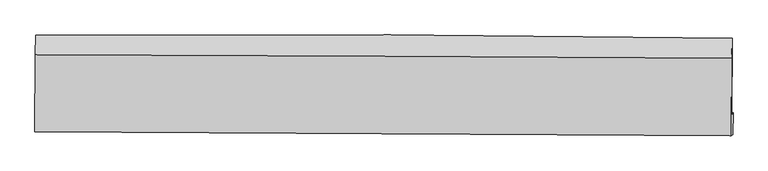
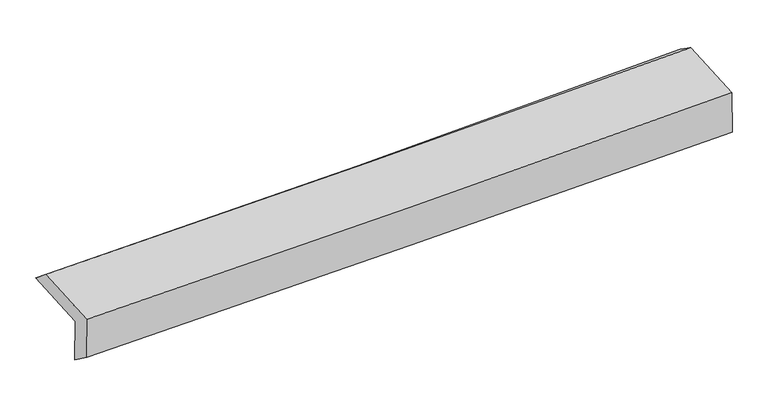
"""IFC4 building model written with IfcOpenShell, lengths in millimetres: proxy geometry."""

from ifc_helpers import new_model, si_unit, frame, origin, place, context, project, spatial, source, transform, mapped, element, save
from ifc_brep_helpers import plane_surface, spline_curve, spline_surface, advanced_brep


def generic_models_3c0a30b0(model_context):
    return source(origin(), model_context, "Body", "AdvancedBrep", [
        advanced_brep(
        [(-3029.0842297, -1760.1261345, 1939.3572622), (-3028.055738, -1115.1864294, 1978.3192975), (3012.3377223, -1142.733614, 2153.6964122), (3010.4613591, -1815.6183329, 2113.0252611), (-3018.6212022, -1735.8529124, 1537.2857135), (3020.8019939, -1788.9778481, 1716.1042327), (-3023.2167509, -1943.5762738, 1689.812562), (3016.9268672, -1977.8115227, 1834.6788379), (-3033.246778, -1953.4700679, 2076.8785246), (3006.5238912, -1988.0896853, 2236.7800885), (-3032.1836669, -1286.821382, 2117.1520408), (3008.3924221, -1318.0137442, 2277.2814687)],
        [
            (0, 1),
            (1, 2, spline_curve(3, [(-3028.055738, -1115.1864294, 1978.3192975), (-2020.825729797, -1109.60092055, 1984.713808373), (-1013.921637828, -1109.102634199, 2002.521837377), (999.543048941, -1118.28191168, 2060.973882347), (2006.103443349, -1127.962593181, 2101.624891547), (3012.3377223, -1142.733614, 2153.6964122)], [4, 2, 4], [0.0, 9.911713958272385, 19.826464065732758])),
            (2, 3),
            (3, 0, spline_curve(3, [(3010.4613591, -1815.6183329, 2113.0252611), (2004.360977858, -1810.83802669, 2060.354081488), (997.938199278, -1803.822473504, 2019.545758267), (-1015.243861246, -1785.323705127, 1961.663689773), (-2022.002945444, -1773.841858881, 1944.582679804), (-3029.0842297, -1760.1261345, 1939.3572622)], [4, 2, 4], [0.0, 9.914750107460373, 19.826464065732758])),
            (4, 0),
            (3, 5),
            (5, 4, spline_curve(3, [(3020.8019939, -1788.9778481, 1716.1042327), (2014.78577425, -1774.698382254, 1661.503186823), (1008.415272691, -1763.131308628, 1619.300737249), (-1004.726009903, -1745.424657501, 1559.702156451), (-2011.496573623, -1739.283419349, 1542.298433287), (-3018.6212022, -1735.8529124, 1537.2857135)], [4, 2, 4], [0.0, 9.91425733637899, 19.825478674469053])),
            (6, 4),
            (5, 7),
            (7, 6, spline_curve(3, [(3016.9268672, -1977.8115227, 1834.6788379), (2010.220007806, -1972.735766422, 1807.058957613), (1003.444185821, -1967.344465659, 1781.175244946), (-1009.937062485, -1955.932522722, 1732.887549248), (-2016.542446508, -1949.912073951, 1710.48250345), (-3023.2167509, -1943.5762738, 1689.812562)], [4, 2, 4], [0.0, 9.913404476666948, 19.823773216212352])),
            (8, 6),
            (7, 9),
            (9, 8, spline_curve(3, [(3006.5238912, -1988.0896853, 2236.7800885), (2000.007837067, -1982.822387744, 2201.667184825), (993.358491504, -1977.303290565, 2170.784210083), (-1019.8984796, -1965.763264031, 2117.486278759), (-2026.506023925, -1959.742488729, 2095.068732664), (-3033.246778, -1953.4700679, 2076.8785246)], [4, 2, 4], [0.0, 9.912949426691176, 19.82286325560871])),
            (10, 8),
            (9, 11),
            (11, 10, spline_curve(3, [(3008.3924221, -1318.0137442, 2277.2814687), (2001.726126447, -1311.711343719, 2242.22714491), (994.934532803, -1305.960466228, 2211.354460973), (-1018.590906786, -1295.563349747, 2157.980545705), (-2025.324676345, -1290.916773403, 2135.476753904), (-3032.1836669, -1286.821382, 2117.1520408)], [4, 2, 4], [0.0, 9.91366413216253, 19.824292447690386])),
            (1, 10),
            (11, 2),
        ],
        [
            spline_surface(3, 3, [[(-3029.0842297, -1760.1261345, 1939.3572622), (-2022.002945555, -1773.841859011, 1944.582679704), (-1015.243861148, -1785.323705206, 1961.6636897), (997.938199181, -1803.822473425, 2019.545758339), (2004.360977761, -1810.838026731, 2060.354081354), (3010.4613591, -1815.6183329, 2113.0252611)], [(-3028.741399151, -1545.146232787, 1952.3446073), (-2021.610540328, -1552.428212817, 1957.959722635), (-1014.80312001, -1559.916681495, 1975.283072284), (998.473149034, -1575.308952889, 2033.355132969), (2004.941799659, -1583.212882179, 2074.111018085), (3011.086813518, -1591.323426588, 2126.582311463)], [(-3028.398568549, -1330.166331113, 1965.3319524), (-2021.218135049, -1331.014566661, 1971.336765565), (-1014.362378819, -1334.509657779, 1988.90245489), (999.008098941, -1346.795432348, 2047.16450762), (2005.522621504, -1355.587737664, 2087.867954826), (3011.712267882, -1367.028520312, 2140.139361837)], [(-3028.055738, -1115.1864294, 1978.3192975), (-2020.825729822, -1109.600920468, 1984.713808496), (-1013.921637681, -1109.102634068, 2002.521837474), (999.543048794, -1118.281911811, 2060.973882249), (2006.103443402, -1127.962593112, 2101.624891556), (3012.3377223, -1142.733614, 2153.6964122)]], [4, 4], [4, 2, 4], [0.0, 2.2379453665603237], [0.0, 9.911713958272385, 19.826464065732758]),
            spline_surface(3, 3, [[(-3018.6212022, -1735.8529124, 1537.2857135), (-2011.496573473, -1739.28341933, 1542.298433159), (-1004.72600976, -1745.424657597, 1559.702156498), (1008.415272548, -1763.131308532, 1619.300737202), (2014.785774212, -1774.698382189, 1661.503186915), (3020.8019939, -1788.9778481, 1716.1042327)], [(-3022.108878017, -1743.943986451, 1671.309563074), (-2014.998697484, -1750.802899241, 1676.393182014), (-1008.23196022, -1758.724340104, 1693.689334227), (1004.922914762, -1776.695030133, 1752.715744243), (2011.310842057, -1786.744930382, 1794.453485039), (3017.355115629, -1797.858009712, 1848.411242144)], [(-3025.596553883, -1752.035060449, 1805.333412626), (-2018.500821544, -1762.322379099, 1810.487930849), (-1011.737910689, -1772.024022699, 1827.676511971), (1001.430556967, -1790.258751824, 1886.130751299), (2007.835909916, -1798.791478538, 1927.40378323), (3013.908237371, -1806.738171288, 1980.718251656)], [(-3029.0842297, -1760.1261345, 1939.3572622), (-2022.002945555, -1773.841859011, 1944.582679704), (-1015.243861148, -1785.323705206, 1961.6636897), (997.938199181, -1803.822473425, 2019.545758339), (2004.360977761, -1810.838026731, 2060.354081354), (3010.4613591, -1815.6183329, 2113.0252611)]], [4, 4], [4, 2, 4], [0.0, 1.323027030966952], [0.0, 9.911221338090064, 19.825478674469053]),
            spline_surface(3, 3, [[(-3023.2167509, -1943.5762738, 1689.812562), (-2016.542446416, -1949.912073878, 1710.482503417), (-1009.937062459, -1955.932522759, 1732.887549355), (1003.444185795, -1967.344465623, 1781.175244839), (2010.22000789, -1972.735766366, 1807.058957523), (3016.9268672, -1977.8115227, 1834.6788379)], [(-3021.684901349, -1874.335153334, 1638.970279188), (-2014.860488784, -1879.702522363, 1654.421146685), (-1008.200044887, -1885.763234396, 1675.159085089), (1005.101214719, -1899.273413284, 1727.217075647), (2011.741929986, -1906.723304958, 1758.540367343), (3018.218576088, -1914.866964484, 1795.153969523)], [(-3020.153051751, -1805.094032866, 1588.127996312), (-2013.178531106, -1809.492970845, 1598.359789891), (-1006.463027333, -1815.59394596, 1617.430620763), (1006.758243624, -1831.202360871, 1673.258906394), (2013.263852116, -1840.710843597, 1710.021777095), (3019.510285012, -1851.922406316, 1755.629101077)], [(-3018.6212022, -1735.8529124, 1537.2857135), (-2011.496573473, -1739.28341933, 1542.298433159), (-1004.72600976, -1745.424657597, 1559.702156498), (1008.415272548, -1763.131308532, 1619.300737202), (2014.785774212, -1774.698382189, 1661.503186915), (3020.8019939, -1788.9778481, 1716.1042327)]], [4, 4], [4, 2, 4], [0.0, 0.8747583254836597], [0.0, 9.910368739545405, 19.823773216212352]),
            spline_surface(3, 3, [[(-3033.246778, -1953.4700679, 2076.8785246), (-2026.506023941, -1959.742488693, 2095.068732572), (-1019.898479734, -1965.763263967, 2117.486278889), (993.358491638, -1977.303290629, 2170.784209953), (2000.007837131, -1982.822387813, 2201.667184953), (3006.5238912, -1988.0896853, 2236.7800885)], [(-3029.903435603, -1950.172136535, 1947.856537053), (-2023.184831402, -1956.465683756, 1966.87332284), (-1016.578007304, -1962.486350229, 1989.28670237), (996.720389695, -1973.983682291, 2040.914554908), (2003.411894054, -1979.460180666, 2070.131109143), (3009.99154987, -1984.663631102, 2102.7463383)], [(-3026.560093297, -1946.874205165, 1818.834549547), (-2019.863638954, -1953.188878815, 1838.677913149), (-1013.257534889, -1959.209436497, 1861.087125873), (1000.082287738, -1970.66407396, 1911.044899884), (2006.815950967, -1976.097973513, 1938.595033333), (3013.45920853, -1981.237576898, 1968.7125881)], [(-3023.2167509, -1943.5762738, 1689.812562), (-2016.542446416, -1949.912073878, 1710.482503417), (-1009.937062459, -1955.932522759, 1732.887549355), (1003.444185795, -1967.344465623, 1781.175244839), (2010.22000789, -1972.735766366, 1807.058957523), (3016.9268672, -1977.8115227, 1834.6788379)]], [4, 4], [4, 2, 4], [0.0, 1.2708686502461604], [0.0, 9.909913828917533, 19.82286325560871]),
            spline_surface(3, 3, [[(-3032.1836669, -1286.821382, 2117.1520408), (-2025.324676246, -1290.916773242, 2135.476753774), (-1018.590906848, -1295.563349813, 2157.980545679), (994.934532864, -1305.960466162, 2211.354460999), (2001.726126496, -1311.711343636, 2242.227145039), (3008.3924221, -1318.0137442, 2277.2814687)], [(-3032.538037291, -1509.037610645, 2103.727535414), (-2025.718458835, -1513.858678404, 2122.007413388), (-1019.026764471, -1518.963321174, 2144.48245674), (994.409185794, -1529.741407627, 2197.831043976), (2001.153363383, -1535.415025033, 2228.707158338), (3007.769578475, -1541.372391238, 2263.781008628)], [(-3032.892407609, -1731.253839255, 2090.303029986), (-2026.112241352, -1736.800583531, 2108.538072958), (-1019.462622111, -1742.363292606, 2130.984367827), (993.883838708, -1753.522349163, 2184.307626977), (2000.580600244, -1759.118706416, 2215.187171653), (3007.146734825, -1764.731038262, 2250.280548572)], [(-3033.246778, -1953.4700679, 2076.8785246), (-2026.506023941, -1959.742488693, 2095.068732572), (-1019.898479734, -1965.763263967, 2117.486278889), (993.358491638, -1977.303290629, 2170.784209953), (2000.007837131, -1982.822387813, 2201.667184953), (3006.5238912, -1988.0896853, 2236.7800885)]], [4, 4], [4, 2, 4], [0.0, 2.204713200855479], [0.0, 9.910628315527855, 19.824292447690386]),
            spline_surface(3, 3, [[(-3028.055738, -1115.1864294, 1978.3192975), (-2020.825729822, -1109.600920468, 1984.713808496), (-1013.921637681, -1109.102634068, 2002.521837474), (999.543048794, -1118.281911811, 2060.973882249), (2006.103443402, -1127.962593112, 2101.624891556), (3012.3377223, -1142.733614, 2153.6964122)], [(-3029.43171429, -1172.398080248, 2024.596878571), (-2022.32537862, -1170.03953804, 2034.968123559), (-1015.478060739, -1171.256206013, 2054.341406883), (998.006876815, -1180.841429958, 2111.10074184), (2004.644337753, -1189.212176629, 2148.492309392), (3011.02262222, -1201.160324076, 2194.891431041)], [(-3030.80769061, -1229.609731152, 2070.874459729), (-2023.825027448, -1230.478155669, 2085.222438711), (-1017.03448379, -1233.409777869, 2106.16097627), (996.470704843, -1243.400948015, 2161.227601409), (2003.185232145, -1250.461760118, 2195.359727203), (3009.70752218, -1259.587034124, 2236.086449859)], [(-3032.1836669, -1286.821382, 2117.1520408), (-2025.324676246, -1290.916773242, 2135.476753774), (-1018.590906848, -1295.563349813, 2157.980545679), (994.934532864, -1305.960466162, 2211.354460999), (2001.726126496, -1311.711343636, 2242.227145039), (3008.3924221, -1318.0137442, 2277.2814687)]], [4, 4], [4, 2, 4], [0.0, 0.7928563292362587], [0.0, 9.9117394462248, 19.826515049445042]),
            plane_surface(frame((3012.5740426, -1671.8741245, 2055.2610502), z_axis=(0.9996589320204805, -0.004344092314117648, 0.025751669725263184), x_axis=(0.025854440305579023, 0.025544242433514136, -0.9993393015362616))),
            plane_surface(frame((-3027.4013943, -1632.5055333, 1889.8009001), z_axis=(-0.9996615397679071, 0.0031542210809160226, -0.025823570594130842), x_axis=(-0.0015918056687430097, -0.9981789160279531, -0.060301888461089685))),
        ],
        [
            (0, [[1, 2, 3, 4]]),
            (1, [[5, -4, 6, 7]]),
            (2, [[8, -7, 9, 10]]),
            (3, [[11, -10, 12, 13]]),
            (4, [[14, -13, 15, 16]]),
            (5, [[17, -16, 18, -2]]),
            (6, [[-12, -9, -6, -3, -18, -15]]),
            (7, [[-1, -5, -8, -11, -14, -17]]),
        ],
    ),
    ])


if __name__ == "__main__":
    model = new_model("IFC4")
    model_context = context("Model", 3, world=origin())
    ifc_project = project(units=[si_unit("LENGTHUNIT", "METRE", prefix="MILLI")], contexts=[model_context])
    site = spatial("IfcSite", under=ifc_project)
    building = spatial("IfcBuilding", under=site)
    placement = place(None, origin())
    generic_models_shape = generic_models_3c0a30b0(model_context)
    element("IfcBuildingElementProxy", 1, Name="Generic Models", at=placement, inside=building, context=model_context, shape_type="MappedRepresentation", body=[
        mapped(generic_models_shape, transform((0.0, 0.0, 0.0), x_axis=(1.0, 0.0, 0.0), y_axis=(0.0, 1.0, 0.0), z_axis=(0.0, 0.0, 1.0))),
    ])
    save(model, "model.ifc")
